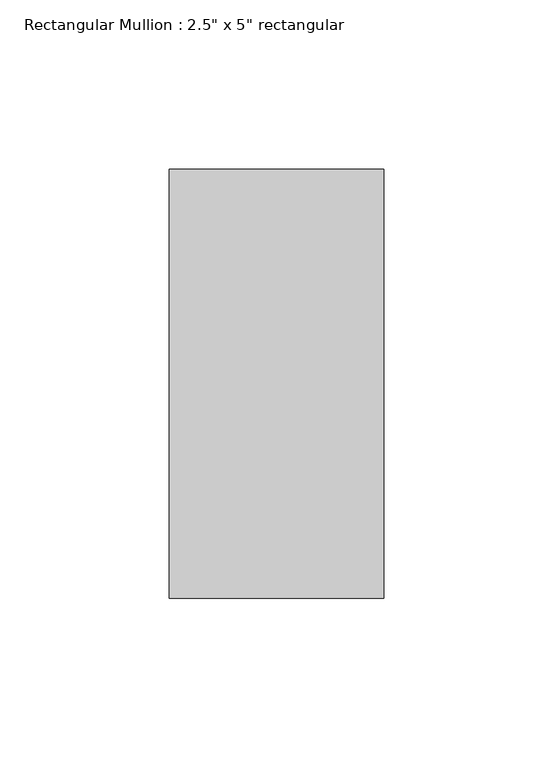
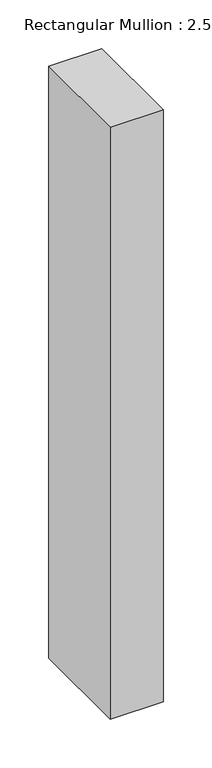
"""IFC4 building model written with IfcOpenShell, lengths in millimetres: member geometry."""

from ifc_helpers import new_model, si_unit, frame, origin, place, context, project, spatial, polyline, outline, extrude, source, transform, mapped, element, save


def member_a80d7948(model_context):
    return source(origin(), model_context, "Body", "SweptSolid", [
        extrude(outline(polyline([(0.0, 63.5), (0.0, -63.5), (-63.5, -63.5), (-63.5, 63.5), (0.0, 63.5)])), frame((0.0, 0.0, -745.0666667), z_axis=(0.0, 0.0, 1.0), x_axis=(1.0, 0.0, 0.0)), (0.0, 0.0, 1.0), 745.0666667),
    ])


if __name__ == "__main__":
    model = new_model("IFC4")
    model_context = context("Model", 3, world=origin())
    ifc_project = project(units=[si_unit("LENGTHUNIT", "METRE", prefix="MILLI")], contexts=[model_context])
    site = spatial("IfcSite", under=ifc_project)
    building = spatial("IfcBuilding", under=site)
    placement = place(None, origin())
    member_shape = member_a80d7948(model_context)
    element("IfcMember", 1, ObjectType="Rectangular Mullion : 2.5\" x 5\" rectangular", at=placement, inside=building, context=model_context, shape_type="MappedRepresentation", body=[
        mapped(member_shape, transform((0.0, 0.0, 0.0), x_axis=(1.0, 0.0, 0.0), y_axis=(0.0, 1.0, 0.0), z_axis=(0.0, 0.0, 1.0))),
    ])
    save(model, "model.ifc")
